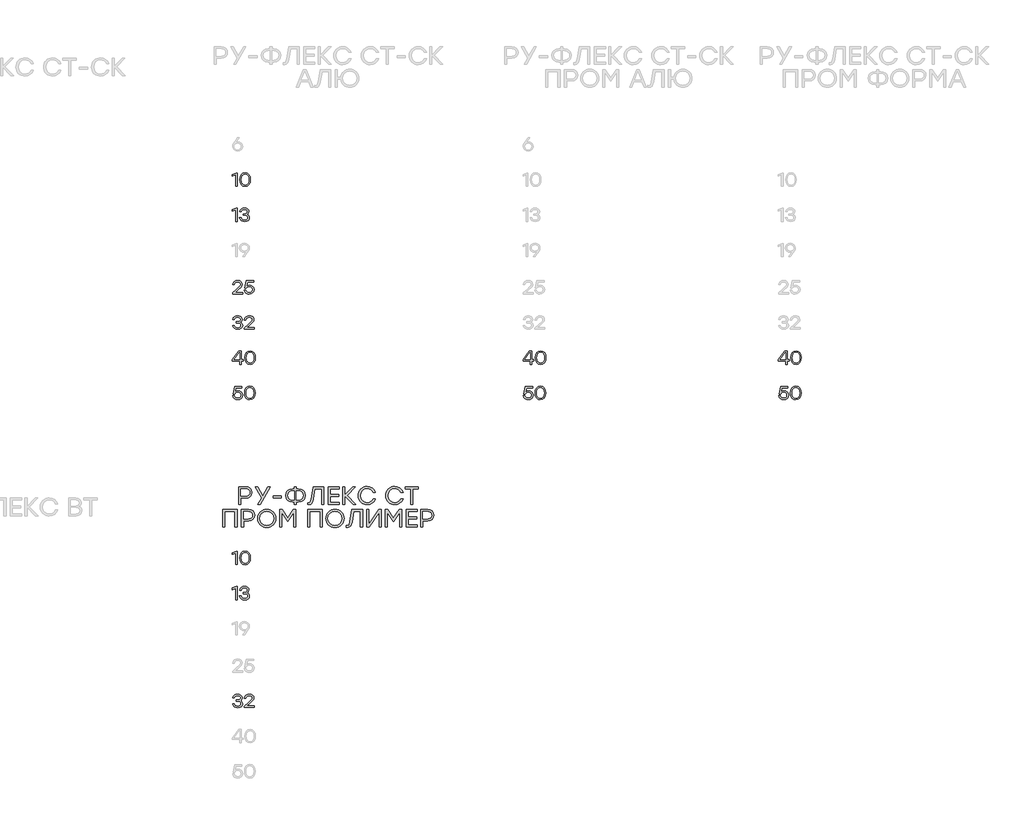
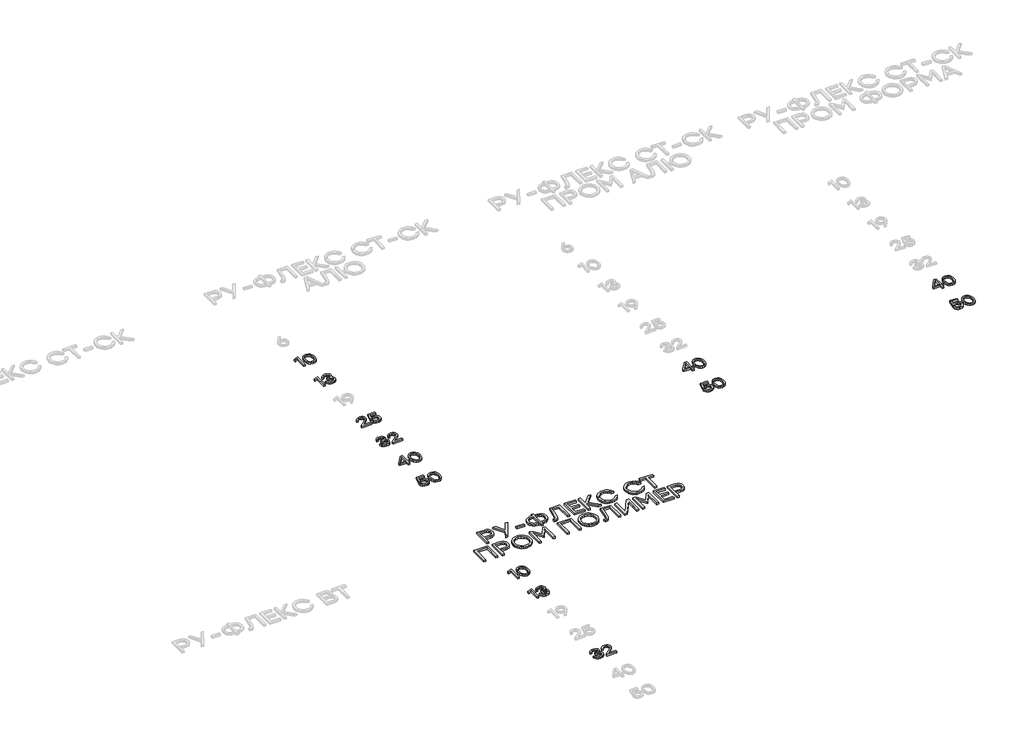
# One storey, part 21 of 41: 14 proxies.
"""IFC4 building model written with IfcOpenShell, lengths in millimetres."""

from ifc_helpers import new_model, si_unit, origin, origin_with_axes, place, context, project, spatial, polyline, outline, extrude, element, save

model = new_model("IFC4")

# Units and contexts
model_context = context("Model", 3, world=origin())
ifc_project = project(units=[si_unit("LENGTHUNIT", "METRE", prefix="MILLI")], contexts=[model_context])

# Site, building, storey
site = spatial("IfcSite", under=ifc_project)
building = spatial("IfcBuilding", under=site)
storey = spatial("IfcBuildingStorey", under=building, Elevation=0.0)

# Proxies
placement = place(None, origin())
element("IfcBuildingElementProxy", 1, Name="Generic Models", at=placement, inside=storey, context=model_context, shape_type="SweptSolid", body=[
    extrude(outline(polyline([(25580.1846042, -33996.9939183), (25588.3336114, -33996.9939183), (25588.3336114, -34146.9840604), (25570.5429571, -34146.9840604), (25570.5429571, -34017.7698524), (25536.0508722, -34031.6877112), (25536.0508722, -34014.1391067), (25580.1846042, -33996.9939183)])), origin_with_axes(), (0.0, 0.0, 1.0), 20.0),
    extrude(outline(polyline([(25679.0619142, -33994.6137627), (25704.5679032, -33999.676636), (25723.639404, -34014.8652558), (25735.5300964, -34039.266893), (25739.4936605, -34071.9688185), (25735.5300964, -34104.670744), (25723.639404, -34129.0723813), (25704.5679032, -34144.2610011), (25679.0619142, -34149.3238744), (25653.7072062, -34144.2912573), (25634.6054492, -34129.1934061), (25622.6239882, -34104.8270678), (25618.6301678, -34071.9889893), (25622.6239882, -34039.1458682), (25634.6054492, -34014.7644018), (25653.7072062, -33999.6514225), (25679.0619142, -33994.6137627)]), holes=[polyline([(25647.8778421, -34117.7363861), (25661.3015161, -34128.7496483), (25679.0619142, -34132.4207357), (25696.8223123, -34128.7496483), (25710.2459862, -34117.7363861), (25718.6874701, -34098.9573621), (25721.5012981, -34071.9889893), (25718.6874701, -34045.0206166), (25710.2459862, -34026.2415926), (25696.8223123, -34015.2283304), (25679.0619142, -34011.557243), (25661.3015161, -34015.2283304), (25647.8778421, -34026.2415926), (25639.4363582, -34045.0206166), (25636.6225302, -34071.9889893), (25639.4363582, -34098.9573621), (25647.8778421, -34117.7363861)])]), origin_with_axes(), (0.0, 0.0, 1.0), 20.0),
])
element("IfcBuildingElementProxy", 2, Name="Generic Models", at=placement, inside=storey, context=model_context, shape_type="SweptSolid", body=[
    extrude(outline(polyline([(25580.1846042, -34396.9939183), (25588.3336114, -34396.9939183), (25588.3336114, -34546.9840604), (25570.5429571, -34546.9840604), (25570.5429571, -34417.7698524), (25536.0508722, -34431.6877112), (25536.0508722, -34414.1391067), (25580.1846042, -34396.9939183)])), origin_with_axes(), (0.0, 0.0, 1.0), 20.0),
    extrude(outline(polyline([(25701.3708299, -34467.9144858), (25712.5807575, -34473.3807752), (25720.9566862, -34481.6306365), (25726.1758833, -34492.2909095), (25727.9156157, -34504.9884343), (25724.2193147, -34523.2379745), (25713.130412, -34537.3222425), (25696.0406934, -34546.3234664), (25674.3419447, -34549.3238744), (25652.9558435, -34546.4344058), (25635.0290362, -34537.7660003), (25622.084419, -34523.5808783), (25615.644888, -34504.1412603), (25633.6372504, -34504.1412603), (25638.4984155, -34516.5135308), (25646.8693016, -34525.3508668), (25658.7499086, -34530.6532685), (25674.1402366, -34532.4207357), (25689.0515078, -34530.4893806), (25700.3824602, -34524.6953155), (25707.538055, -34515.5831522), (25709.9232533, -34503.6975024), (25707.9162577, -34492.9162046), (25701.8952709, -34484.5352331), (25691.5274747, -34479.1496268), (25676.4800505, -34477.3544248), (25655.7041163, -34477.3544248), (25655.7041163, -34461.7018763), (25671.3566648, -34461.7018763), (25686.0763133, -34460.2546207), (25696.5903479, -34455.9128539), (25702.8987687, -34448.6765758), (25705.0015756, -34438.5457866), (25702.7222741, -34427.4064568), (25695.8843696, -34418.8389054), (25685.2946944, -34413.3776586), (25671.760081, -34411.557243), (25658.9213605, -34413.0851818), (25648.6443329, -34417.6689984), (25640.9794251, -34425.7827067), (25635.9770643, -34437.9003207), (25617.9847019, -34437.9003207), (25624.6561973, -34418.6977097), (25636.5216762, -34405.2236087), (25652.6734522, -34397.2662242), (25672.2038388, -34394.6137627), (25692.2183249, -34397.5334874), (25708.5314674, -34406.2926616), (25719.3783204, -34419.6608659), (25722.993938, -34436.4076807), (25717.4267945, -34455.690975), (25710.6292316, -34462.9222103), (25701.3708299, -34467.9144858)])), origin_with_axes(), (0.0, 0.0, 1.0), 20.0),
])
element("IfcBuildingElementProxy", 3, Name="Generic Models", at=placement, inside=storey, context=model_context, shape_type="SweptSolid", body=[
    extrude(outline(polyline([(25650.7017555, -35353.838872), (25650.7017555, -35370.9840604), (25538.1889781, -35370.9840604), (25538.1889781, -35358.1150837), (25581.6772442, -35320.1939612), (25620.3648575, -35284.2092364), (25626.7186626, -35274.2448563), (25628.8365976, -35263.6350103), (25626.5320826, -35252.3595276), (25619.6185375, -35243.3835172), (25608.847325, -35237.5138116), (25594.9698079, -35235.557243), (25581.0368209, -35237.6197083), (25570.0991993, -35243.8071042), (25562.222498, -35253.7462708), (25557.4722723, -35267.064048), (25539.4799099, -35267.064048), (25545.6773913, -35247.06469), (25557.8958593, -35231.6844475), (25574.9956634, -35221.8814339), (25595.8371527, -35218.6137627), (25616.3811225, -35221.7755372), (25632.5883682, -35231.2608605), (25643.117531, -35245.5165804), (25646.6272519, -35262.9895444), (25644.0806872, -35277.6285097), (25636.4409929, -35290.724408), (25596.2405689, -35328.9884343), (25567.5173356, -35353.838872), (25650.7017555, -35353.838872)])), origin_with_axes(), (0.0, 0.0, 1.0), 20.0),
    extrude(outline(polyline([(25731.7884111, -35271.9857256), (25751.6768297, -35275.3592936), (25768.0958689, -35285.4799974), (25779.1091311, -35301.1779302), (25782.7802185, -35321.2831849), (25778.8721241, -35341.9834785), (25767.1478408, -35358.6596956), (25749.5841081, -35369.6578297), (25728.1576654, -35373.3238744), (25707.2001939, -35370.2730394), (25689.3490272, -35361.1205344), (25676.3287694, -35346.3908005), (25669.8640249, -35326.6082787), (25687.8563873, -35326.6082787), (25693.0049865, -35339.3108462), (25701.996125, -35348.6953155), (25713.9927141, -35354.4893806), (25728.1576654, -35356.4207357), (25742.6453496, -35353.8993845), (25754.399889, -35346.3353308), (25762.1908643, -35335.0295918), (25764.7878561, -35321.2831849), (25762.2160778, -35307.3401126), (25754.500743, -35296.4125764), (25742.8218441, -35289.3477502), (25728.3593735, -35286.9928081), (25707.3615604, -35291.8640587), (25692.7780649, -35306.4778105), (25675.6328765, -35306.4778105), (25693.8672886, -35220.9939183), (25775.720435, -35220.9939183), (25775.720435, -35237.8970569), (25707.3413896, -35237.8970569), (25697.4980344, -35284.6126526), (25712.9287039, -35275.1424574), (25731.7884111, -35271.9857256)])), origin_with_axes(), (0.0, 0.0, 1.0), 20.0),
])
element("IfcBuildingElementProxy", 4, Name="Generic Models", at=placement, inside=storey, context=model_context, shape_type="SweptSolid", body=[
    extrude(outline(polyline([(25623.91492, -35691.9144858), (25635.1248476, -35697.3807752), (25643.5007764, -35705.6306365), (25648.7199734, -35716.2909095), (25650.4597058, -35728.9884343), (25646.7634049, -35747.2379745), (25635.6745022, -35761.3222425), (25618.5847835, -35770.3234664), (25596.8860348, -35773.3238744), (25575.4999336, -35770.4344058), (25557.5731264, -35761.7660003), (25544.6285091, -35747.5808783), (25538.1889781, -35728.1412603), (25556.1813405, -35728.1412603), (25561.0425057, -35740.5135308), (25569.4133918, -35749.3508668), (25581.2939988, -35754.6532685), (25596.6843267, -35756.4207357), (25611.5955979, -35754.4893806), (25622.9265503, -35748.6953155), (25630.0821451, -35739.5831522), (25632.4673434, -35727.6975024), (25630.4603478, -35716.9162046), (25624.4393611, -35708.5352331), (25614.0715648, -35703.1496268), (25599.0241406, -35701.3544248), (25578.2482065, -35701.3544248), (25578.2482065, -35685.7018763), (25593.9007549, -35685.7018763), (25608.6204034, -35684.2546207), (25619.1344381, -35679.9128539), (25625.4428589, -35672.6765758), (25627.5456658, -35662.5457866), (25625.2663643, -35651.4064568), (25618.4284597, -35642.8389054), (25607.8387845, -35637.3776586), (25594.3041711, -35635.557243), (25581.4654507, -35637.0851818), (25571.188423, -35641.6689984), (25563.5235153, -35649.7827067), (25558.5211544, -35661.9003207), (25540.528792, -35661.9003207), (25547.2002874, -35642.6977097), (25559.0657663, -35629.2236087), (25575.2175423, -35621.2662242), (25594.7479289, -35618.6137627), (25614.762415, -35621.5334874), (25631.0755575, -35630.2926616), (25641.9224105, -35643.6608659), (25645.5380282, -35660.4076807), (25639.9708847, -35679.690975), (25633.1733217, -35686.9222103), (25623.91492, -35691.9144858)])), origin_with_axes(), (0.0, 0.0, 1.0), 20.0),
    extrude(outline(polyline([(25782.3768023, -35753.838872), (25782.3768023, -35770.9840604), (25669.8640249, -35770.9840604), (25669.8640249, -35758.1150837), (25713.3522909, -35720.1939612), (25752.0399042, -35684.2092364), (25758.3937094, -35674.2448563), (25760.5116444, -35663.6350103), (25758.2071294, -35652.3595276), (25751.2935843, -35643.3835172), (25740.5223718, -35637.5138116), (25726.6448546, -35635.557243), (25712.7118677, -35637.6197083), (25701.7742461, -35643.8071042), (25693.8975448, -35653.7462708), (25689.1473191, -35667.064048), (25671.1549567, -35667.064048), (25677.352438, -35647.06469), (25689.5709061, -35631.6844475), (25706.6707102, -35621.8814339), (25727.5121995, -35618.6137627), (25748.0561693, -35621.7755372), (25764.263415, -35631.2608605), (25774.7925778, -35645.5165804), (25778.3022987, -35662.9895444), (25775.7557339, -35677.6285097), (25768.1160397, -35690.724408), (25727.9156157, -35728.9884343), (25699.1923824, -35753.838872), (25782.3768023, -35753.838872)])), origin_with_axes(), (0.0, 0.0, 1.0), 20.0),
])
element("IfcBuildingElementProxy", 5, Name="Generic Models", at=placement, inside=storey, context=model_context, shape_type="SweptSolid", body=[
    extrude(outline(polyline([(25656.268899, -36118.2575634), (25656.268899, -36134.9993356), (25634.202033, -36134.9993356), (25634.202033, -36170.9840604), (25616.4113787, -36170.9840604), (25616.4113787, -36134.9993356), (25536.0508722, -36134.9993356), (25536.0508722, -36118.2575634), (25607.6169056, -36020.9939183), (25634.202033, -36020.9939183), (25634.202033, -36118.2575634), (25656.268899, -36118.2575634)]), holes=[polyline([(25555.7375827, -36118.0558553), (25616.4113787, -36118.0558553), (25616.4113787, -36037.6953488), (25614.6766891, -36037.6953488), (25555.7375827, -36118.0558553)])]), origin_with_axes(), (0.0, 0.0, 1.0), 20.0),
    extrude(outline(polyline([(25735.8629147, -36018.6137627), (25761.3689038, -36023.676636), (25780.4404045, -36038.8652558), (25792.3310969, -36063.266893), (25796.2946611, -36095.9688185), (25792.3310969, -36128.670744), (25780.4404045, -36153.0723813), (25761.3689038, -36168.2610011), (25735.8629147, -36173.3238744), (25710.5082067, -36168.2912573), (25691.4064498, -36153.1934061), (25679.4249887, -36128.8270678), (25675.4311684, -36095.9889893), (25679.4249887, -36063.1458682), (25691.4064498, -36038.7644018), (25710.5082067, -36023.6514225), (25735.8629147, -36018.6137627)]), holes=[polyline([(25704.6788427, -36141.7363861), (25718.1025167, -36152.7496483), (25735.8629147, -36156.4207357), (25753.6233128, -36152.7496483), (25767.0469868, -36141.7363861), (25775.4884707, -36122.9573621), (25778.3022987, -36095.9889893), (25775.4884707, -36069.0206166), (25767.0469868, -36050.2415926), (25753.6233128, -36039.2283304), (25735.8629147, -36035.557243), (25718.1025167, -36039.2283304), (25704.6788427, -36050.2415926), (25696.2373588, -36069.0206166), (25693.4235308, -36095.9889893), (25696.2373588, -36122.9573621), (25704.6788427, -36141.7363861)])]), origin_with_axes(), (0.0, 0.0, 1.0), 20.0),
])
element("IfcBuildingElementProxy", 6, Name="Generic Models", at=placement, inside=storey, context=model_context, shape_type="SweptSolid", body=[
    extrude(outline(polyline([(25600.1133644, -36471.9857256), (25620.0017829, -36475.3592936), (25636.4208221, -36485.4799974), (25647.4340843, -36501.1779302), (25651.1051717, -36521.2831849), (25647.1970773, -36541.9834785), (25635.4727941, -36558.6596956), (25617.9090614, -36569.6578297), (25596.4826186, -36573.3238744), (25575.5251471, -36570.2730394), (25557.6739804, -36561.1205344), (25544.6537227, -36546.3908005), (25538.1889781, -36526.6082787), (25556.1813405, -36526.6082787), (25561.3299397, -36539.3108462), (25570.3210782, -36548.6953155), (25582.3176674, -36554.4893806), (25596.4826186, -36556.4207357), (25610.9703028, -36553.8993845), (25622.7248422, -36546.3353308), (25630.5158175, -36535.0295918), (25633.1128093, -36521.2831849), (25630.541031, -36507.3401126), (25622.8256963, -36496.4125764), (25611.1467974, -36489.3477502), (25596.6843267, -36486.9928081), (25575.6865136, -36491.8640587), (25561.1030181, -36506.4778105), (25543.9578297, -36506.4778105), (25562.1922418, -36420.9939183), (25644.0453882, -36420.9939183), (25644.0453882, -36437.8970569), (25575.6663428, -36437.8970569), (25565.8229876, -36484.6126526), (25581.2536571, -36475.1424574), (25600.1133644, -36471.9857256)])), origin_with_axes(), (0.0, 0.0, 1.0), 20.0),
    extrude(outline(polyline([(25733.2810511, -36418.6137627), (25758.7870401, -36423.676636), (25777.8585409, -36438.8652558), (25789.7492333, -36463.266893), (25793.7127974, -36495.9688185), (25789.7492333, -36528.670744), (25777.8585409, -36553.0723813), (25758.7870401, -36568.2610011), (25733.2810511, -36573.3238744), (25707.9263431, -36568.2912573), (25688.8245861, -36553.1934061), (25676.8431251, -36528.8270678), (25672.8493047, -36495.9889893), (25676.8431251, -36463.1458682), (25688.8245861, -36438.7644018), (25707.9263431, -36423.6514225), (25733.2810511, -36418.6137627)]), holes=[polyline([(25702.096979, -36541.7363861), (25715.520653, -36552.7496483), (25733.2810511, -36556.4207357), (25751.0414492, -36552.7496483), (25764.4651231, -36541.7363861), (25772.906607, -36522.9573621), (25775.720435, -36495.9889893), (25772.906607, -36469.0206166), (25764.4651231, -36450.2415926), (25751.0414492, -36439.2283304), (25733.2810511, -36435.557243), (25715.520653, -36439.2283304), (25702.096979, -36450.2415926), (25693.6554951, -36469.0206166), (25690.8416671, -36495.9889893), (25693.6554951, -36522.9573621), (25702.096979, -36541.7363861)])]), origin_with_axes(), (0.0, 0.0, 1.0), 20.0),
])
element("IfcBuildingElementProxy", 7, Name="Generic Models", at=placement, inside=storey, context=model_context, shape_type="SweptSolid", body=[
    extrude(outline(polyline([(28956.268899, -36118.2575634), (28956.268899, -36134.9993356), (28934.202033, -36134.9993356), (28934.202033, -36170.9840604), (28916.4113787, -36170.9840604), (28916.4113787, -36134.9993356), (28836.0508722, -36134.9993356), (28836.0508722, -36118.2575634), (28907.6169056, -36020.9939183), (28934.202033, -36020.9939183), (28934.202033, -36118.2575634), (28956.268899, -36118.2575634)]), holes=[polyline([(28855.7375827, -36118.0558553), (28916.4113787, -36118.0558553), (28916.4113787, -36037.6953488), (28914.6766891, -36037.6953488), (28855.7375827, -36118.0558553)])]), origin_with_axes(), (0.0, 0.0, 1.0), 20.0),
    extrude(outline(polyline([(29035.8629147, -36018.6137627), (29061.3689038, -36023.676636), (29080.4404045, -36038.8652558), (29092.3310969, -36063.266893), (29096.2946611, -36095.9688185), (29092.3310969, -36128.670744), (29080.4404045, -36153.0723813), (29061.3689038, -36168.2610011), (29035.8629147, -36173.3238744), (29010.5082067, -36168.2912573), (28991.4064498, -36153.1934061), (28979.4249887, -36128.8270678), (28975.4311684, -36095.9889893), (28979.4249887, -36063.1458682), (28991.4064498, -36038.7644018), (29010.5082067, -36023.6514225), (29035.8629147, -36018.6137627)]), holes=[polyline([(29004.6788427, -36141.7363861), (29018.1025167, -36152.7496483), (29035.8629147, -36156.4207357), (29053.6233128, -36152.7496483), (29067.0469868, -36141.7363861), (29075.4884707, -36122.9573621), (29078.3022987, -36095.9889893), (29075.4884707, -36069.0206166), (29067.0469868, -36050.2415926), (29053.6233128, -36039.2283304), (29035.8629147, -36035.557243), (29018.1025167, -36039.2283304), (29004.6788427, -36050.2415926), (28996.2373588, -36069.0206166), (28993.4235308, -36095.9889893), (28996.2373588, -36122.9573621), (29004.6788427, -36141.7363861)])]), origin_with_axes(), (0.0, 0.0, 1.0), 20.0),
])
element("IfcBuildingElementProxy", 8, Name="Generic Models", at=placement, inside=storey, context=model_context, shape_type="SweptSolid", body=[
    extrude(outline(polyline([(28900.1133644, -36471.9857256), (28920.0017829, -36475.3592936), (28936.4208221, -36485.4799974), (28947.4340843, -36501.1779302), (28951.1051717, -36521.2831849), (28947.1970773, -36541.9834785), (28935.4727941, -36558.6596956), (28917.9090614, -36569.6578297), (28896.4826186, -36573.3238744), (28875.5251471, -36570.2730394), (28857.6739804, -36561.1205344), (28844.6537227, -36546.3908005), (28838.1889781, -36526.6082787), (28856.1813405, -36526.6082787), (28861.3299397, -36539.3108462), (28870.3210782, -36548.6953155), (28882.3176674, -36554.4893806), (28896.4826186, -36556.4207357), (28910.9703028, -36553.8993845), (28922.7248422, -36546.3353308), (28930.5158175, -36535.0295918), (28933.1128093, -36521.2831849), (28930.541031, -36507.3401126), (28922.8256963, -36496.4125764), (28911.1467974, -36489.3477502), (28896.6843267, -36486.9928081), (28875.6865136, -36491.8640587), (28861.1030181, -36506.4778105), (28843.9578297, -36506.4778105), (28862.1922418, -36420.9939183), (28944.0453882, -36420.9939183), (28944.0453882, -36437.8970569), (28875.6663428, -36437.8970569), (28865.8229876, -36484.6126526), (28881.2536571, -36475.1424574), (28900.1133644, -36471.9857256)])), origin_with_axes(), (0.0, 0.0, 1.0), 20.0),
    extrude(outline(polyline([(29033.2810511, -36418.6137627), (29058.7870401, -36423.676636), (29077.8585409, -36438.8652558), (29089.7492333, -36463.266893), (29093.7127974, -36495.9688185), (29089.7492333, -36528.670744), (29077.8585409, -36553.0723813), (29058.7870401, -36568.2610011), (29033.2810511, -36573.3238744), (29007.9263431, -36568.2912573), (28988.8245861, -36553.1934061), (28976.8431251, -36528.8270678), (28972.8493047, -36495.9889893), (28976.8431251, -36463.1458682), (28988.8245861, -36438.7644018), (29007.9263431, -36423.6514225), (29033.2810511, -36418.6137627)]), holes=[polyline([(29002.096979, -36541.7363861), (29015.520653, -36552.7496483), (29033.2810511, -36556.4207357), (29051.0414492, -36552.7496483), (29064.4651231, -36541.7363861), (29072.906607, -36522.9573621), (29075.720435, -36495.9889893), (29072.906607, -36469.0206166), (29064.4651231, -36450.2415926), (29051.0414492, -36439.2283304), (29033.2810511, -36435.557243), (29015.520653, -36439.2283304), (29002.096979, -36450.2415926), (28993.6554951, -36469.0206166), (28990.8416671, -36495.9889893), (28993.6554951, -36522.9573621), (29002.096979, -36541.7363861)])]), origin_with_axes(), (0.0, 0.0, 1.0), 20.0),
])
element("IfcBuildingElementProxy", 9, Name="Generic Models", at=placement, inside=storey, context=model_context, shape_type="SweptSolid", body=[
    extrude(outline(polyline([(31856.268899, -36118.2575634), (31856.268899, -36134.9993356), (31834.202033, -36134.9993356), (31834.202033, -36170.9840604), (31816.4113787, -36170.9840604), (31816.4113787, -36134.9993356), (31736.0508722, -36134.9993356), (31736.0508722, -36118.2575634), (31807.6169056, -36020.9939183), (31834.202033, -36020.9939183), (31834.202033, -36118.2575634), (31856.268899, -36118.2575634)]), holes=[polyline([(31755.7375827, -36118.0558553), (31816.4113787, -36118.0558553), (31816.4113787, -36037.6953488), (31814.6766891, -36037.6953488), (31755.7375827, -36118.0558553)])]), origin_with_axes(), (0.0, 0.0, 1.0), 20.0),
    extrude(outline(polyline([(31935.8629147, -36018.6137627), (31961.3689038, -36023.676636), (31980.4404045, -36038.8652558), (31992.3310969, -36063.266893), (31996.2946611, -36095.9688185), (31992.3310969, -36128.670744), (31980.4404045, -36153.0723813), (31961.3689038, -36168.2610011), (31935.8629147, -36173.3238744), (31910.5082067, -36168.2912573), (31891.4064498, -36153.1934061), (31879.4249887, -36128.8270678), (31875.4311684, -36095.9889893), (31879.4249887, -36063.1458682), (31891.4064498, -36038.7644018), (31910.5082067, -36023.6514225), (31935.8629147, -36018.6137627)]), holes=[polyline([(31904.6788427, -36141.7363861), (31918.1025167, -36152.7496483), (31935.8629147, -36156.4207357), (31953.6233128, -36152.7496483), (31967.0469868, -36141.7363861), (31975.4884707, -36122.9573621), (31978.3022987, -36095.9889893), (31975.4884707, -36069.0206166), (31967.0469868, -36050.2415926), (31953.6233128, -36039.2283304), (31935.8629147, -36035.557243), (31918.1025167, -36039.2283304), (31904.6788427, -36050.2415926), (31896.2373588, -36069.0206166), (31893.4235308, -36095.9889893), (31896.2373588, -36122.9573621), (31904.6788427, -36141.7363861)])]), origin_with_axes(), (0.0, 0.0, 1.0), 20.0),
])
element("IfcBuildingElementProxy", 10, Name="Generic Models", at=placement, inside=storey, context=model_context, shape_type="SweptSolid", body=[
    extrude(outline(polyline([(31800.1133644, -36471.9857256), (31820.0017829, -36475.3592936), (31836.4208221, -36485.4799974), (31847.4340843, -36501.1779302), (31851.1051717, -36521.2831849), (31847.1970773, -36541.9834785), (31835.4727941, -36558.6596956), (31817.9090614, -36569.6578297), (31796.4826186, -36573.3238744), (31775.5251471, -36570.2730394), (31757.6739804, -36561.1205344), (31744.6537227, -36546.3908005), (31738.1889781, -36526.6082787), (31756.1813405, -36526.6082787), (31761.3299397, -36539.3108462), (31770.3210782, -36548.6953155), (31782.3176674, -36554.4893806), (31796.4826186, -36556.4207357), (31810.9703028, -36553.8993845), (31822.7248422, -36546.3353308), (31830.5158175, -36535.0295918), (31833.1128093, -36521.2831849), (31830.541031, -36507.3401126), (31822.8256963, -36496.4125764), (31811.1467974, -36489.3477502), (31796.6843267, -36486.9928081), (31775.6865136, -36491.8640587), (31761.1030181, -36506.4778105), (31743.9578297, -36506.4778105), (31762.1922418, -36420.9939183), (31844.0453882, -36420.9939183), (31844.0453882, -36437.8970569), (31775.6663428, -36437.8970569), (31765.8229876, -36484.6126526), (31781.2536571, -36475.1424574), (31800.1133644, -36471.9857256)])), origin_with_axes(), (0.0, 0.0, 1.0), 20.0),
    extrude(outline(polyline([(31933.2810511, -36418.6137627), (31958.7870401, -36423.676636), (31977.8585409, -36438.8652558), (31989.7492333, -36463.266893), (31993.7127974, -36495.9688185), (31989.7492333, -36528.670744), (31977.8585409, -36553.0723813), (31958.7870401, -36568.2610011), (31933.2810511, -36573.3238744), (31907.9263431, -36568.2912573), (31888.8245861, -36553.1934061), (31876.8431251, -36528.8270678), (31872.8493047, -36495.9889893), (31876.8431251, -36463.1458682), (31888.8245861, -36438.7644018), (31907.9263431, -36423.6514225), (31933.2810511, -36418.6137627)]), holes=[polyline([(31902.096979, -36541.7363861), (31915.520653, -36552.7496483), (31933.2810511, -36556.4207357), (31951.0414492, -36552.7496483), (31964.4651231, -36541.7363861), (31972.906607, -36522.9573621), (31975.720435, -36495.9889893), (31972.906607, -36469.0206166), (31964.4651231, -36450.2415926), (31951.0414492, -36439.2283304), (31933.2810511, -36435.557243), (31915.520653, -36439.2283304), (31902.096979, -36450.2415926), (31893.6554951, -36469.0206166), (31890.8416671, -36495.9889893), (31893.6554951, -36522.9573621), (31902.096979, -36541.7363861)])]), origin_with_axes(), (0.0, 0.0, 1.0), 20.0),
])
element("IfcBuildingElementProxy", 11, Name="Generic Models", at=placement, inside=storey, context=model_context, shape_type="SweptSolid", body=[
    extrude(outline(polyline([(25687.2580863, -37563.1559111), (25716.277158, -37567.6203837), (25738.1423159, -37581.0138015), (25751.8584666, -37601.4670027), (25756.4305169, -37627.1108256), (25751.818125, -37653.1446175), (25737.9809495, -37674.0146821), (25716.0754499, -37687.7308328), (25687.2580863, -37692.3028831), (25630.672241, -37692.3028831), (25630.672241, -37763.1427673), (25606.9513686, -37763.1427673), (25606.9513686, -37563.1559111), (25687.2580863, -37563.1559111)]), holes=[polyline([(25686.397465, -37669.711576), (25706.2657128, -37666.712849), (25720.6878418, -37657.7166678), (25729.4621441, -37644.1484363), (25732.3869115, -37627.4335586), (25729.4621441, -37610.7859168), (25720.6878418, -37597.4193935), (25706.2657128, -37588.6249204), (25686.397465, -37585.6934293), (25630.672241, -37585.6934293), (25630.672241, -37669.711576), (25686.397465, -37669.711576)])]), origin_with_axes(), (0.0, 0.0, 1.0), 20.0),
    extrude(outline(polyline([(25965.4538959, -37563.1559111), (25852.3359942, -37763.1427673), (25825.4953698, -37763.1427673), (25866.9127661, -37690.5816406), (25794.0289065, -37563.1559111), (25820.9233196, -37563.1559111), (25880.0372397, -37665.1395258), (25938.8822157, -37563.1559111), (25965.4538959, -37563.1559111)])), origin_with_axes(), (0.0, 0.0, 1.0), 20.0),
    extrude(outline(polyline([(26092.0190041, -37665.7312029), (26092.0190041, -37688.2687211), (25999.3946453, -37688.2687211), (25999.3946453, -37665.7312029), (26092.0190041, -37665.7312029)])), origin_with_axes(), (0.0, 0.0, 1.0), 20.0),
    extrude(outline(polyline([(26282.5928157, -37585.6934293), (26314.2408164, -37590.8033678), (26340.0123878, -37606.1331833), (26350.0019814, -37617.2355333), (26357.1374054, -37630.1028291), (26362.8457446, -37661.1322582), (26357.1710234, -37692.1616874), (26350.0776219, -37705.0289832), (26340.1468599, -37716.1313331), (26314.4089065, -37731.4611486), (26282.5928157, -37736.5710871), (26262.8523165, -37736.5710871), (26262.8523165, -37763.1427673), (26239.1314441, -37763.1427673), (26239.1314441, -37736.5710871), (26219.1757895, -37736.5710871), (26187.3193571, -37731.4611486), (26161.5679565, -37716.1313331), (26151.6371945, -37705.0289832), (26144.543793, -37692.1616874), (26138.8690719, -37661.1322582), (26144.5841346, -37630.1028291), (26151.7279631, -37617.2355333), (26161.729323, -37606.1331833), (26187.5210652, -37590.8033678), (26219.1757895, -37585.6934293), (26239.1314441, -37585.6934293), (26239.1314441, -37563.1559111), (26262.8523165, -37563.1559111), (26262.8523165, -37585.6934293), (26282.5928157, -37585.6934293)]), holes=[polyline([(26282.5928157, -37713.9797801), (26305.19757, -37710.5171244), (26323.3109572, -37700.1291573), (26335.211735, -37683.4546211), (26339.178661, -37661.1322582), (26335.211735, -37638.8098953), (26323.3109572, -37622.1353592), (26305.19757, -37611.7473921), (26282.5928157, -37608.2847364), (26262.8523165, -37608.2847364), (26262.8523165, -37713.9797801), (26282.5928157, -37713.9797801)]), polyline([(26219.1757895, -37713.9797801), (26239.1314441, -37713.9797801), (26239.1314441, -37608.2847364), (26219.1757895, -37608.2847364), (26196.7727434, -37611.7473921), (26178.7265921, -37622.1353592), (26166.8258143, -37638.8098953), (26162.8588884, -37661.1322582), (26166.7854727, -37683.4546211), (26178.5652257, -37700.1291573), (26196.5710353, -37710.5171244), (26219.1757895, -37713.9797801)])]), origin_with_axes(), (0.0, 0.0, 1.0), 20.0),
    extrude(outline(polyline([(26452.511718, -37563.1559111), (26572.7835336, -37563.1559111), (26572.7835336, -37763.1427673), (26549.0626612, -37763.1427673), (26549.0626612, -37585.6934293), (26472.4673725, -37585.6934293), (26453.3723392, -37701.9848718), (26446.2722141, -37732.0057605), (26436.4826478, -37751.7126417), (26423.2774909, -37762.6250498), (26405.9305944, -37766.2625192), (26390.2242571, -37765.401898), (26390.2242571, -37743.725001), (26401.3585442, -37744.2628893), (26412.055797, -37741.9768642), (26419.6198507, -37735.1187888), (26429.9204109, -37700.5863623), (26452.511718, -37563.1559111)])), origin_with_axes(), (0.0, 0.0, 1.0), 20.0),
    extrude(outline(polyline([(26749.3722503, -37585.6934293), (26646.2052815, -37585.6934293), (26646.2052815, -37649.1642444), (26742.4872806, -37649.1642444), (26742.4872806, -37671.7017626), (26646.2052815, -37671.7017626), (26646.2052815, -37740.5514603), (26749.3722503, -37740.5514603), (26749.3722503, -37763.1427673), (26622.4844091, -37763.1427673), (26622.4844091, -37563.1559111), (26749.3722503, -37563.1559111), (26749.3722503, -37585.6934293)])), origin_with_axes(), (0.0, 0.0, 1.0), 20.0),
    extrude(outline(polyline([(26936.0194776, -37763.1427673), (26905.4674242, -37763.1427673), (26811.4445559, -37666.000147), (26811.4445559, -37763.1427673), (26787.7236835, -37763.1427673), (26787.7236835, -37563.1559111), (26811.4445559, -37563.1559111), (26811.4445559, -37656.8560465), (26902.3476723, -37563.1559111), (26932.6307815, -37563.1559111), (26838.0162361, -37661.1591526), (26936.0194776, -37763.1427673)])), origin_with_axes(), (0.0, 0.0, 1.0), 20.0),
    extrude(outline(polyline([(27065.0588719, -37766.2625192), (27043.8610316, -37764.4236137), (27024.5357149, -37758.9068972), (27007.0829216, -37749.7123697), (26991.5026519, -37736.8400312), (26978.6891449, -37721.1992491), (26969.53664, -37703.6993906), (26964.045137, -37684.3404559), (26962.214636, -37663.1224448), (26964.045137, -37641.9044337), (26969.53664, -37622.545499), (26978.6891449, -37605.0456405), (26991.5026519, -37589.4048584), (27007.0829216, -37576.5325199), (27024.5357149, -37567.3379924), (27043.8610316, -37561.8212759), (27065.0588719, -37559.9823704), (27096.5387825, -37564.5208026), (27124.0652143, -37578.1360993), (27145.8093473, -37599.3894092), (27159.9423615, -37626.8418815), (27134.5002466, -37626.8418815), (27123.036503, -37608.6343638), (27106.9334731, -37594.5685857), (27087.1862503, -37585.5724045), (27064.7899277, -37582.5736774), (27033.888247, -37588.3223582), (27008.6343931, -37605.5684007), (26991.8119377, -37631.4609969), (26986.2044525, -37663.1493392), (26991.8119377, -37694.8376815), (27008.6343931, -37720.7302778), (27033.888247, -37737.9763202), (27064.7899277, -37743.725001), (27087.1862503, -37740.7262739), (27106.9334731, -37731.7300927), (27123.036503, -37717.6508675), (27134.5002466, -37699.4030081), (27159.9423615, -37699.4030081), (27145.8093473, -37726.8890984), (27124.0652143, -37748.1356848), (27096.5387825, -37761.7308106), (27065.0588719, -37766.2625192)])), origin_with_axes(), (0.0, 0.0, 1.0), 20.0),
    extrude(outline(polyline([(27378.3249962, -37766.2625192), (27357.127156, -37764.4236137), (27337.8018392, -37758.9068972), (27320.349046, -37749.7123697), (27304.7687763, -37736.8400312), (27291.9552693, -37721.1992491), (27282.8027643, -37703.6993906), (27277.3112613, -37684.3404559), (27275.4807603, -37663.1224448), (27277.3112613, -37641.9044337), (27282.8027643, -37622.545499), (27291.9552693, -37605.0456405), (27304.7687763, -37589.4048584), (27320.349046, -37576.5325199), (27337.8018392, -37567.3379924), (27357.127156, -37561.8212759), (27378.3249962, -37559.9823704), (27409.8049068, -37564.5208026), (27437.3313387, -37578.1360993), (27459.0754717, -37599.3894092), (27473.2084858, -37626.8418815), (27447.766371, -37626.8418815), (27436.3026274, -37608.6343638), (27420.1995975, -37594.5685857), (27400.4523746, -37585.5724045), (27378.0560521, -37582.5736774), (27347.1543714, -37588.3223582), (27321.9005174, -37605.5684007), (27305.078062, -37631.4609969), (27299.4705769, -37663.1493392), (27305.078062, -37694.8376815), (27321.9005174, -37720.7302778), (27347.1543714, -37737.9763202), (27378.0560521, -37743.725001), (27400.4523746, -37740.7262739), (27420.1995975, -37731.7300927), (27436.3026274, -37717.6508675), (27447.766371, -37699.4030081), (27473.2084858, -37699.4030081), (27459.0754717, -37726.8890984), (27437.3313387, -37748.1356848), (27409.8049068, -37761.7308106), (27378.3249962, -37766.2625192)])), origin_with_axes(), (0.0, 0.0, 1.0), 20.0),
    extrude(outline(polyline([(27648.1297489, -37563.1559111), (27648.1297489, -37585.6934293), (27583.5293685, -37585.6934293), (27583.5293685, -37763.1427673), (27559.539552, -37763.1427673), (27559.539552, -37585.6934293), (27495.2619046, -37585.6934293), (27495.2619046, -37563.1559111), (27648.1297489, -37563.1559111)])), origin_with_axes(), (0.0, 0.0, 1.0), 20.0),
    extrude(outline(polyline([(25587.9639129, -37821.6781541), (25587.9639129, -38021.6650103), (25564.2430405, -38021.6650103), (25564.2430405, -37844.2156724), (25448.2205422, -37844.2156724), (25448.2205422, -38021.6650103), (25424.4996698, -38021.6650103), (25424.4996698, -37821.6781541), (25448.2205422, -37821.6781541), (25587.9639129, -37821.6781541)])), origin_with_axes(), (0.0, 0.0, 1.0), 20.0),
    extrude(outline(polyline([(25718.2404502, -37821.6781541), (25747.259522, -37826.1426267), (25769.1246799, -37839.5360445), (25782.8408306, -37859.9892457), (25787.4128808, -37885.6330686), (25782.800489, -37911.6668605), (25768.9633134, -37932.5369251), (25747.0578139, -37946.2530758), (25718.2404502, -37950.8251261), (25661.6546049, -37950.8251261), (25661.6546049, -38021.6650103), (25637.9337325, -38021.6650103), (25637.9337325, -37821.6781541), (25718.2404502, -37821.6781541)]), holes=[polyline([(25717.379829, -37928.233819), (25737.2480767, -37925.235092), (25751.6702058, -37916.2389108), (25760.444508, -37902.6706793), (25763.3692755, -37885.9558016), (25760.444508, -37869.3081598), (25751.6702058, -37855.9416365), (25737.2480767, -37847.1471634), (25717.379829, -37844.2156724), (25661.6546049, -37844.2156724), (25661.6546049, -37928.233819), (25717.379829, -37928.233819)])]), origin_with_axes(), (0.0, 0.0, 1.0), 20.0),
    extrude(outline(polyline([(25852.0132612, -37848.0884679), (25867.8070053, -37835.1455315), (25885.3354391, -37825.900577), (25904.5985625, -37820.3536043), (25925.5963756, -37818.5046134), (25946.5756987, -37820.3536043), (25965.7833524, -37825.900577), (25983.2193367, -37835.1455315), (25998.8836514, -37848.0884679), (26011.8148214, -37863.7813579), (26021.0513715, -37881.2761737), (26026.5933015, -37900.5729151), (26028.4406115, -37921.6715822), (26026.5832161, -37942.7685684), (26021.0110298, -37962.0602672), (26011.7240528, -37979.5466784), (25998.7222849, -37995.2278022), (25982.9890532, -38008.1589722), (25965.5076847, -38017.3955222), (25946.2781793, -38022.9374522), (25925.300537, -38024.7847622), (25904.3228948, -38022.9374522), (25885.0933894, -38017.3955222), (25867.6120208, -38008.1589722), (25851.8787891, -37995.2278022), (25838.8770213, -37979.5466784), (25829.5900442, -37962.0602672), (25824.017858, -37942.7685684), (25822.1604626, -37921.6715822), (25824.0262625, -37900.5729151), (25829.6236623, -37881.2761737), (25838.9526618, -37863.7813579), (25852.0132612, -37848.0884679)]), holes=[polyline([(25925.3274315, -37841.0959204), (25894.5198812, -37846.8782193), (25869.0105303, -37864.2251157), (25851.8653419, -37890.1446064), (25846.1502791, -37921.6446878), (25851.8653419, -37953.1514928), (25869.0105303, -37979.0911543), (25894.5198812, -37996.4582216), (25925.3274315, -38002.247244), (25956.2963482, -37996.4985632), (25981.7519102, -37979.2525208), (25998.7760738, -37953.3599245), (26004.4507949, -37921.6715822), (25998.7760738, -37889.9832399), (25981.7519102, -37864.0906437), (25956.2963482, -37846.8446012), (25925.3274315, -37841.0959204)])]), origin_with_axes(), (0.0, 0.0, 1.0), 20.0),
    extrude(outline(polyline([(26226.2759146, -37821.6781541), (26255.4294584, -37821.6781541), (26255.4294584, -38021.6650103), (26231.708586, -38021.6650103), (26231.708586, -37852.2302075), (26163.9884537, -37954.5365551), (26161.729323, -37954.5365551), (26094.0091907, -37852.2302075), (26094.0091907, -38021.6650103), (26070.2883183, -38021.6650103), (26070.2883183, -37821.6781541), (26099.4418622, -37821.6781541), (26162.8588884, -37917.099532), (26226.2759146, -37821.6781541)])), origin_with_axes(), (0.0, 0.0, 1.0), 20.0),
    extrude(outline(polyline([(26555.302165, -37821.6781541), (26555.302165, -38021.6650103), (26531.5812926, -38021.6650103), (26531.5812926, -37844.2156724), (26415.5587943, -37844.2156724), (26415.5587943, -38021.6650103), (26391.8379219, -38021.6650103), (26391.8379219, -37821.6781541), (26415.5587943, -37821.6781541), (26555.302165, -37821.6781541)])), origin_with_axes(), (0.0, 0.0, 1.0), 20.0),
    extrude(outline(polyline([(26626.5723599, -37848.0884679), (26642.366104, -37835.1455315), (26659.8945378, -37825.900577), (26679.1576612, -37820.3536043), (26700.1554743, -37818.5046134), (26721.1347974, -37820.3536043), (26740.3424511, -37825.900577), (26757.7784353, -37835.1455315), (26773.4427501, -37848.0884679), (26786.3739201, -37863.7813579), (26795.6104701, -37881.2761737), (26801.1524001, -37900.5729151), (26802.9997101, -37921.6715822), (26801.1423147, -37942.7685684), (26795.5701285, -37962.0602672), (26786.2831515, -37979.5466784), (26773.2813836, -37995.2278022), (26757.5481519, -38008.1589722), (26740.0667834, -38017.3955222), (26720.837278, -38022.9374522), (26699.8596357, -38024.7847622), (26678.8819935, -38022.9374522), (26659.6524881, -38017.3955222), (26642.1711195, -38008.1589722), (26626.4378878, -37995.2278022), (26613.43612, -37979.5466784), (26604.1491429, -37962.0602672), (26598.5769567, -37942.7685684), (26596.7195613, -37921.6715822), (26598.5853612, -37900.5729151), (26604.1827609, -37881.2761737), (26613.5117605, -37863.7813579), (26626.5723599, -37848.0884679)]), holes=[polyline([(26699.8865301, -37841.0959204), (26669.0789799, -37846.8782193), (26643.569629, -37864.2251157), (26626.4244406, -37890.1446064), (26620.7093778, -37921.6446878), (26626.4244406, -37953.1514928), (26643.569629, -37979.0911543), (26669.0789799, -37996.4582216), (26699.8865301, -38002.247244), (26730.8554469, -37996.4985632), (26756.3110089, -37979.2525208), (26773.3351724, -37953.3599245), (26779.0098936, -37921.6715822), (26773.3351724, -37889.9832399), (26756.3110089, -37864.0906437), (26730.8554469, -37846.8446012), (26699.8865301, -37841.0959204)])]), origin_with_axes(), (0.0, 0.0, 1.0), 20.0),
    extrude(outline(polyline([(26893.149783, -37821.6781541), (27013.4215986, -37821.6781541), (27013.4215986, -38021.6650103), (26989.7007262, -38021.6650103), (26989.7007262, -37844.2156724), (26913.1054376, -37844.2156724), (26894.0104042, -37960.5071148), (26886.9102792, -37990.5280035), (26877.1207128, -38010.2348847), (26863.9155559, -38021.1472929), (26846.5686594, -38024.7847622), (26830.8623222, -38023.924141), (26830.8623222, -38002.247244), (26841.9966092, -38002.7851323), (26852.693862, -38000.4991072), (26860.2579157, -37993.6410318), (26870.558476, -37959.1086053), (26893.149783, -37821.6781541)])), origin_with_axes(), (0.0, 0.0, 1.0), 20.0),
    extrude(outline(polyline([(27196.303608, -37821.6781541), (27225.4571519, -37821.6781541), (27225.4571519, -38021.6650103), (27201.7362795, -38021.6650103), (27201.7362795, -37937.9695966), (27203.7264661, -37853.3597728), (27090.8775085, -38021.6650103), (27061.7239646, -38021.6650103), (27061.7239646, -37821.6781541), (27085.444837, -37821.6781541), (27085.444837, -37905.3735679), (27083.4546505, -37989.9296028), (27196.303608, -37821.6781541)])), origin_with_axes(), (0.0, 0.0, 1.0), 20.0),
    extrude(outline(polyline([(27427.7031388, -37821.6781541), (27456.8566826, -37821.6781541), (27456.8566826, -38021.6650103), (27433.1358102, -38021.6650103), (27433.1358102, -37852.2302075), (27365.4156779, -37954.5365551), (27363.1565472, -37954.5365551), (27295.4364149, -37852.2302075), (27295.4364149, -38021.6650103), (27271.7155425, -38021.6650103), (27271.7155425, -37821.6781541), (27300.8690864, -37821.6781541), (27364.2861126, -37917.099532), (27427.7031388, -37821.6781541)])), origin_with_axes(), (0.0, 0.0, 1.0), 20.0),
    extrude(outline(polyline([(27634.0908653, -37844.2156724), (27530.9238964, -37844.2156724), (27530.9238964, -37907.6864874), (27627.2058955, -37907.6864874), (27627.2058955, -37930.2240056), (27530.9238964, -37930.2240056), (27530.9238964, -37999.0737033), (27634.0908653, -37999.0737033), (27634.0908653, -38021.6650103), (27507.203024, -38021.6650103), (27507.203024, -37821.6781541), (27634.0908653, -37821.6781541), (27634.0908653, -37844.2156724)])), origin_with_axes(), (0.0, 0.0, 1.0), 20.0),
    extrude(outline(polyline([(27752.7490161, -37821.6781541), (27781.7680879, -37826.1426267), (27803.6332458, -37839.5360445), (27817.3493965, -37859.9892457), (27821.9214467, -37885.6330686), (27817.3090548, -37911.6668605), (27803.4718793, -37932.5369251), (27781.5663798, -37946.2530758), (27752.7490161, -37950.8251261), (27696.1631708, -37950.8251261), (27696.1631708, -38021.6650103), (27672.4422984, -38021.6650103), (27672.4422984, -37821.6781541), (27752.7490161, -37821.6781541)]), holes=[polyline([(27751.8883949, -37928.233819), (27771.7566426, -37925.235092), (27786.1787716, -37916.2389108), (27794.9530739, -37902.6706793), (27797.8778413, -37885.9558016), (27794.9530739, -37869.3081598), (27786.1787716, -37855.9416365), (27771.7566426, -37847.1471634), (27751.8883949, -37844.2156724), (27696.1631708, -37844.2156724), (27696.1631708, -37928.233819), (27751.8883949, -37928.233819)])]), origin_with_axes(), (0.0, 0.0, 1.0), 20.0),
])
element("IfcBuildingElementProxy", 12, Name="Generic Models", at=placement, inside=storey, context=model_context, shape_type="SweptSolid", body=[
    extrude(outline(polyline([(25580.1846042, -38296.9939183), (25588.3336114, -38296.9939183), (25588.3336114, -38446.9840604), (25570.5429571, -38446.9840604), (25570.5429571, -38317.7698524), (25536.0508722, -38331.6877112), (25536.0508722, -38314.1391067), (25580.1846042, -38296.9939183)])), origin_with_axes(), (0.0, 0.0, 1.0), 20.0),
    extrude(outline(polyline([(25679.0619142, -38294.6137627), (25704.5679032, -38299.676636), (25723.639404, -38314.8652558), (25735.5300964, -38339.266893), (25739.4936605, -38371.9688185), (25735.5300964, -38404.670744), (25723.639404, -38429.0723813), (25704.5679032, -38444.2610011), (25679.0619142, -38449.3238744), (25653.7072062, -38444.2912573), (25634.6054492, -38429.1934061), (25622.6239882, -38404.8270678), (25618.6301678, -38371.9889893), (25622.6239882, -38339.1458682), (25634.6054492, -38314.7644018), (25653.7072062, -38299.6514225), (25679.0619142, -38294.6137627)]), holes=[polyline([(25647.8778421, -38417.7363861), (25661.3015161, -38428.7496483), (25679.0619142, -38432.4207357), (25696.8223123, -38428.7496483), (25710.2459862, -38417.7363861), (25718.6874701, -38398.9573621), (25721.5012981, -38371.9889893), (25718.6874701, -38345.0206166), (25710.2459862, -38326.2415926), (25696.8223123, -38315.2283304), (25679.0619142, -38311.557243), (25661.3015161, -38315.2283304), (25647.8778421, -38326.2415926), (25639.4363582, -38345.0206166), (25636.6225302, -38371.9889893), (25639.4363582, -38398.9573621), (25647.8778421, -38417.7363861)])]), origin_with_axes(), (0.0, 0.0, 1.0), 20.0),
])
element("IfcBuildingElementProxy", 13, Name="Generic Models", at=placement, inside=storey, context=model_context, shape_type="SweptSolid", body=[
    extrude(outline(polyline([(25580.1846042, -38696.9939183), (25588.3336114, -38696.9939183), (25588.3336114, -38846.9840604), (25570.5429571, -38846.9840604), (25570.5429571, -38717.7698524), (25536.0508722, -38731.6877112), (25536.0508722, -38714.1391067), (25580.1846042, -38696.9939183)])), origin_with_axes(), (0.0, 0.0, 1.0), 20.0),
    extrude(outline(polyline([(25701.3708299, -38767.9144858), (25712.5807575, -38773.3807752), (25720.9566862, -38781.6306365), (25726.1758833, -38792.2909095), (25727.9156157, -38804.9884343), (25724.2193147, -38823.2379745), (25713.130412, -38837.3222425), (25696.0406934, -38846.3234664), (25674.3419447, -38849.3238744), (25652.9558435, -38846.4344058), (25635.0290362, -38837.7660003), (25622.084419, -38823.5808783), (25615.644888, -38804.1412603), (25633.6372504, -38804.1412603), (25638.4984155, -38816.5135308), (25646.8693016, -38825.3508668), (25658.7499086, -38830.6532685), (25674.1402366, -38832.4207357), (25689.0515078, -38830.4893806), (25700.3824602, -38824.6953155), (25707.538055, -38815.5831522), (25709.9232533, -38803.6975024), (25707.9162577, -38792.9162046), (25701.8952709, -38784.5352331), (25691.5274747, -38779.1496268), (25676.4800505, -38777.3544248), (25655.7041163, -38777.3544248), (25655.7041163, -38761.7018763), (25671.3566648, -38761.7018763), (25686.0763133, -38760.2546207), (25696.5903479, -38755.9128539), (25702.8987687, -38748.6765758), (25705.0015756, -38738.5457866), (25702.7222741, -38727.4064568), (25695.8843696, -38718.8389054), (25685.2946944, -38713.3776586), (25671.760081, -38711.557243), (25658.9213605, -38713.0851818), (25648.6443329, -38717.6689984), (25640.9794251, -38725.7827067), (25635.9770643, -38737.9003207), (25617.9847019, -38737.9003207), (25624.6561973, -38718.6977097), (25636.5216762, -38705.2236087), (25652.6734522, -38697.2662242), (25672.2038388, -38694.6137627), (25692.2183249, -38697.5334874), (25708.5314674, -38706.2926616), (25719.3783204, -38719.6608659), (25722.993938, -38736.4076807), (25717.4267945, -38755.690975), (25710.6292316, -38762.9222103), (25701.3708299, -38767.9144858)])), origin_with_axes(), (0.0, 0.0, 1.0), 20.0),
])
element("IfcBuildingElementProxy", 14, Name="Generic Models", at=placement, inside=storey, context=model_context, shape_type="SweptSolid", body=[
    extrude(outline(polyline([(25623.91492, -39991.9144858), (25635.1248476, -39997.3807752), (25643.5007764, -40005.6306365), (25648.7199734, -40016.2909095), (25650.4597058, -40028.9884343), (25646.7634049, -40047.2379745), (25635.6745022, -40061.3222425), (25618.5847835, -40070.3234664), (25596.8860348, -40073.3238744), (25575.4999336, -40070.4344058), (25557.5731264, -40061.7660003), (25544.6285091, -40047.5808783), (25538.1889781, -40028.1412603), (25556.1813405, -40028.1412603), (25561.0425057, -40040.5135308), (25569.4133918, -40049.3508668), (25581.2939988, -40054.6532685), (25596.6843267, -40056.4207357), (25611.5955979, -40054.4893806), (25622.9265503, -40048.6953155), (25630.0821451, -40039.5831522), (25632.4673434, -40027.6975024), (25630.4603478, -40016.9162046), (25624.4393611, -40008.5352331), (25614.0715648, -40003.1496268), (25599.0241406, -40001.3544248), (25578.2482065, -40001.3544248), (25578.2482065, -39985.7018763), (25593.9007549, -39985.7018763), (25608.6204034, -39984.2546207), (25619.1344381, -39979.9128539), (25625.4428589, -39972.6765758), (25627.5456658, -39962.5457866), (25625.2663643, -39951.4064568), (25618.4284597, -39942.8389054), (25607.8387845, -39937.3776586), (25594.3041711, -39935.557243), (25581.4654507, -39937.0851818), (25571.188423, -39941.6689984), (25563.5235153, -39949.7827067), (25558.5211544, -39961.9003207), (25540.528792, -39961.9003207), (25547.2002874, -39942.6977097), (25559.0657663, -39929.2236087), (25575.2175423, -39921.2662242), (25594.7479289, -39918.6137627), (25614.762415, -39921.5334874), (25631.0755575, -39930.2926616), (25641.9224105, -39943.6608659), (25645.5380282, -39960.4076807), (25639.9708847, -39979.690975), (25633.1733217, -39986.9222103), (25623.91492, -39991.9144858)])), origin_with_axes(), (0.0, 0.0, 1.0), 20.0),
    extrude(outline(polyline([(25782.3768023, -40053.838872), (25782.3768023, -40070.9840604), (25669.8640249, -40070.9840604), (25669.8640249, -40058.1150837), (25713.3522909, -40020.1939612), (25752.0399042, -39984.2092364), (25758.3937094, -39974.2448563), (25760.5116444, -39963.6350103), (25758.2071294, -39952.3595276), (25751.2935843, -39943.3835172), (25740.5223718, -39937.5138116), (25726.6448546, -39935.557243), (25712.7118677, -39937.6197083), (25701.7742461, -39943.8071042), (25693.8975448, -39953.7462708), (25689.1473191, -39967.064048), (25671.1549567, -39967.064048), (25677.352438, -39947.06469), (25689.5709061, -39931.6844475), (25706.6707102, -39921.8814339), (25727.5121995, -39918.6137627), (25748.0561693, -39921.7755372), (25764.263415, -39931.2608605), (25774.7925778, -39945.5165804), (25778.3022987, -39962.9895444), (25775.7557339, -39977.6285097), (25768.1160397, -39990.724408), (25727.9156157, -40028.9884343), (25699.1923824, -40053.838872), (25782.3768023, -40053.838872)])), origin_with_axes(), (0.0, 0.0, 1.0), 20.0),
])

save(model, "model.ifc")
